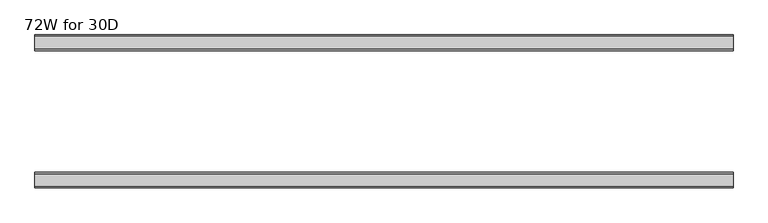
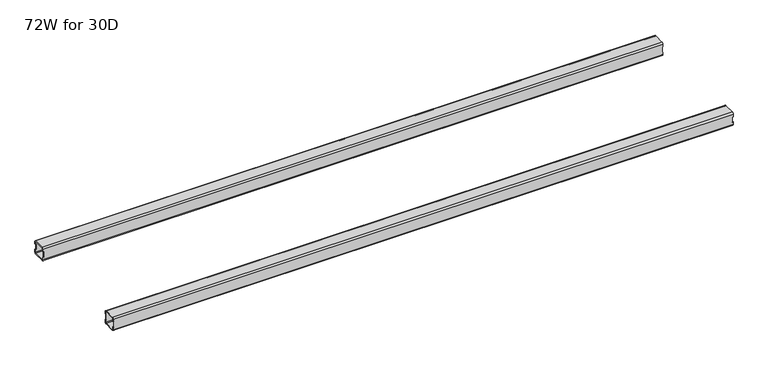
"""IFC4 building model written with IfcOpenShell, lengths in millimetres: furniture geometry, 72W for 30D."""

from ifc_helpers import new_model, si_unit, frame, origin, place, context, project, spatial, polyline, circle_curve, source, transform, mapped, element, save
from ifc_brep_helpers import plane_surface, cylinder_surface, revolved_surface, advanced_brep


def furniture_72w_for_30d_36aad846(model_context):
    return source(origin(), model_context, "Body", "AdvancedBrep", [
        advanced_brep(
        [(1803.8028, -507.012, 653.351), (1803.8028, -509.012, 651.351), (1803.8028, -541.012, 651.351), (1803.8028, -543.012, 653.351), (1803.8028, -543.012, 660.851), (1803.8028, -545.012, 660.851), (1803.8028, -545.012, 653.351), (1803.8028, -541.012, 649.351), (1803.8028, -509.012, 649.351), (1803.8028, -505.012, 653.351), (1803.8028, -505.012, 660.851), (1803.8028, -507.012, 660.851), (1803.8028, -543.012, 684.975), (1803.8028, -541.012, 686.975), (1803.8028, -509.012, 686.975), (1803.8028, -507.012, 684.975), (1803.8028, -507.012, 677.475), (1803.8028, -505.012, 677.475), (1803.8028, -505.012, 684.975), (1803.8028, -509.012, 688.975), (1803.8028, -541.012, 688.975), (1803.8028, -545.012, 684.975), (1803.8028, -545.012, 677.475), (1803.8028, -543.012, 677.475), (22.0, -507.012, 684.975), (22.0, -509.012, 686.975), (22.0, -541.012, 686.975), (22.0, -543.012, 684.975), (22.0, -543.012, 677.475), (22.0, -545.012, 677.475), (22.0, -545.012, 684.975), (22.0, -541.012, 688.975), (22.0, -509.012, 688.975), (22.0, -505.012, 684.975), (22.0, -505.012, 677.475), (22.0, -507.012, 677.475), (22.0, -543.012, 653.351), (22.0, -541.012, 651.351), (22.0, -509.012, 651.351), (22.0, -507.012, 653.351), (22.0, -507.012, 660.851), (22.0, -505.012, 660.851), (22.0, -505.012, 653.351), (22.0, -509.012, 649.351), (22.0, -541.012, 649.351), (22.0, -545.012, 653.351), (22.0, -545.012, 660.851), (22.0, -543.012, 660.851), (23.365, -543.012, 660.851), (24.0, -543.012, 661.486), (24.0, -543.012, 676.84), (23.365, -543.012, 677.475), (1802.4378, -543.012, 677.475), (1801.8028, -543.012, 676.84), (1801.8028, -543.012, 661.486), (1802.4378, -543.012, 660.851), (1802.4378, -507.012, 660.851), (1801.8028, -507.012, 661.486), (1801.8028, -507.012, 676.84), (1802.4378, -507.012, 677.475), (23.365, -507.012, 677.475), (24.0, -507.012, 676.84), (24.0, -507.012, 661.486), (23.365, -507.012, 660.851), (23.365, -545.012, 677.475), (24.0, -545.012, 676.84), (24.0, -545.012, 661.486), (23.365, -545.012, 660.851), (1802.4378, -545.012, 660.851), (1801.8028, -545.012, 661.486), (1801.8028, -545.012, 676.84), (1802.4378, -545.012, 677.475), (1802.4378, -505.012, 677.475), (1801.8028, -505.012, 676.84), (1801.8028, -505.012, 661.486), (1802.4378, -505.012, 660.851), (23.365, -505.012, 660.851), (24.0, -505.012, 661.486), (24.0, -505.012, 676.84), (23.365, -505.012, 677.475)],
        [
            (0, 1, circle_curve(frame((1803.8028, -509.012, 653.351), z_axis=(-1.0, 0.0, 0.0), x_axis=(0.0, 1.0, 0.0)), 2.0)),
            (1, 2),
            (2, 3, circle_curve(frame((1803.8028, -541.012, 653.351), z_axis=(-1.0, 0.0, 0.0), x_axis=(0.0, 1.0, 0.0)), 2.0)),
            (3, 4),
            (4, 5),
            (5, 6),
            (6, 7, circle_curve(frame((1803.8028, -541.012, 653.351), z_axis=(1.0, 0.0, 0.0), x_axis=(0.0, 1.0, 0.0)), 4.0)),
            (7, 8),
            (8, 9, circle_curve(frame((1803.8028, -509.012, 653.351), z_axis=(1.0, 0.0, 0.0), x_axis=(0.0, 1.0, 0.0)), 4.0)),
            (9, 10),
            (10, 11),
            (11, 0),
            (12, 13, circle_curve(frame((1803.8028, -541.012, 684.975), z_axis=(-1.0, 0.0, 0.0), x_axis=(0.0, 1.0, 0.0)), 2.0)),
            (13, 14),
            (14, 15, circle_curve(frame((1803.8028, -509.012, 684.975), z_axis=(-1.0, 0.0, 0.0), x_axis=(0.0, 1.0, 0.0)), 2.0)),
            (15, 16),
            (16, 17),
            (17, 18),
            (18, 19, circle_curve(frame((1803.8028, -509.012, 684.975), z_axis=(1.0, 0.0, 0.0), x_axis=(0.0, 1.0, 0.0)), 4.0)),
            (19, 20),
            (20, 21, circle_curve(frame((1803.8028, -541.012, 684.975), z_axis=(1.0, 0.0, 0.0), x_axis=(0.0, 1.0, 0.0)), 4.0)),
            (21, 22),
            (22, 23),
            (23, 12),
            (24, 25, circle_curve(frame((22.0, -509.012, 684.975), z_axis=(1.0, 0.0, 0.0), x_axis=(0.0, 1.0, 0.0)), 2.0)),
            (25, 26),
            (26, 27, circle_curve(frame((22.0, -541.012, 684.975), z_axis=(1.0, 0.0, 0.0), x_axis=(0.0, 1.0, 0.0)), 2.0)),
            (27, 28),
            (28, 29),
            (29, 30),
            (30, 31, circle_curve(frame((22.0, -541.012, 684.975), z_axis=(-1.0, 0.0, 0.0), x_axis=(0.0, 1.0, 0.0)), 4.0)),
            (31, 32),
            (32, 33, circle_curve(frame((22.0, -509.012, 684.975), z_axis=(-1.0, 0.0, 0.0), x_axis=(0.0, 1.0, 0.0)), 4.0)),
            (33, 34),
            (34, 35),
            (35, 24),
            (36, 37, circle_curve(frame((22.0, -541.012, 653.351), z_axis=(1.0, 0.0, 0.0), x_axis=(0.0, 1.0, 0.0)), 2.0)),
            (37, 38),
            (38, 39, circle_curve(frame((22.0, -509.012, 653.351), z_axis=(1.0, 0.0, 0.0), x_axis=(0.0, 1.0, 0.0)), 2.0)),
            (39, 40),
            (40, 41),
            (41, 42),
            (42, 43, circle_curve(frame((22.0, -509.012, 653.351), z_axis=(-1.0, 0.0, 0.0), x_axis=(0.0, 1.0, 0.0)), 4.0)),
            (43, 44),
            (44, 45, circle_curve(frame((22.0, -541.012, 653.351), z_axis=(-1.0, 0.0, 0.0), x_axis=(0.0, 1.0, 0.0)), 4.0)),
            (45, 46),
            (46, 47),
            (47, 36),
            (0, 39),
            (38, 1),
            (37, 2),
            (36, 3),
            (47, 48),
            (48, 49, circle_curve(frame((23.365, -543.012, 661.486), z_axis=(0.0, -1.0, 0.0), x_axis=(1.0, 0.0, 0.0)), 0.635)),
            (49, 50),
            (50, 51, circle_curve(frame((23.365, -543.012, 676.84), z_axis=(0.0, -1.0, 0.0), x_axis=(1.0, 0.0, 0.0)), 0.635)),
            (51, 28),
            (27, 12),
            (23, 52),
            (52, 53, circle_curve(frame((1802.4378, -543.012, 676.84), z_axis=(0.0, -1.0, 0.0), x_axis=(1.0, 0.0, 0.0)), 0.635)),
            (53, 54),
            (54, 55, circle_curve(frame((1802.4378, -543.012, 661.486), z_axis=(0.0, -1.0, 0.0), x_axis=(1.0, 0.0, 0.0)), 0.635)),
            (55, 4),
            (26, 13),
            (25, 14),
            (24, 15),
            (11, 56),
            (56, 57, circle_curve(frame((1802.4378, -507.012, 661.486), z_axis=(0.0, 1.0, 0.0), x_axis=(1.0, 0.0, 0.0)), 0.635)),
            (57, 58),
            (58, 59, circle_curve(frame((1802.4378, -507.012, 676.84), z_axis=(0.0, 1.0, 0.0), x_axis=(1.0, 0.0, 0.0)), 0.635)),
            (59, 16),
            (35, 60),
            (60, 61, circle_curve(frame((23.365, -507.012, 676.84), z_axis=(0.0, 1.0, 0.0), x_axis=(1.0, 0.0, 0.0)), 0.635)),
            (61, 62),
            (62, 63, circle_curve(frame((23.365, -507.012, 661.486), z_axis=(0.0, 1.0, 0.0), x_axis=(1.0, 0.0, 0.0)), 0.635)),
            (63, 40),
            (18, 33),
            (32, 19),
            (31, 20),
            (30, 21),
            (29, 64),
            (64, 65, circle_curve(frame((23.365, -545.012, 676.84), z_axis=(0.0, 1.0, 0.0), x_axis=(1.0, 0.0, 0.0)), 0.635)),
            (65, 66),
            (66, 67, circle_curve(frame((23.365, -545.012, 661.486), z_axis=(0.0, 1.0, 0.0), x_axis=(1.0, 0.0, 0.0)), 0.635)),
            (67, 46),
            (45, 6),
            (5, 68),
            (68, 69, circle_curve(frame((1802.4378, -545.012, 661.486), z_axis=(0.0, 1.0, 0.0), x_axis=(1.0, 0.0, 0.0)), 0.635)),
            (69, 70),
            (70, 71, circle_curve(frame((1802.4378, -545.012, 676.84), z_axis=(0.0, 1.0, 0.0), x_axis=(1.0, 0.0, 0.0)), 0.635)),
            (71, 22),
            (44, 7),
            (43, 8),
            (42, 9),
            (17, 72),
            (72, 73, circle_curve(frame((1802.4378, -505.012, 676.84), z_axis=(0.0, -1.0, 0.0), x_axis=(1.0, 0.0, 0.0)), 0.635)),
            (73, 74),
            (74, 75, circle_curve(frame((1802.4378, -505.012, 661.486), z_axis=(0.0, -1.0, 0.0), x_axis=(1.0, 0.0, 0.0)), 0.635)),
            (75, 10),
            (41, 76),
            (76, 77, circle_curve(frame((23.365, -505.012, 661.486), z_axis=(0.0, -1.0, 0.0), x_axis=(1.0, 0.0, 0.0)), 0.635)),
            (77, 78),
            (78, 79, circle_curve(frame((23.365, -505.012, 676.84), z_axis=(0.0, -1.0, 0.0), x_axis=(1.0, 0.0, 0.0)), 0.635)),
            (79, 34),
            (71, 52),
            (59, 72),
            (70, 53),
            (58, 73),
            (69, 54),
            (57, 74),
            (68, 55),
            (56, 75),
            (51, 64),
            (79, 60),
            (67, 48),
            (63, 76),
            (66, 49),
            (62, 77),
            (65, 50),
            (61, 78),
        ],
        [
            plane_surface(frame((1803.8028, -507.012, 653.351), z_axis=(1.0, 0.0, 0.0), x_axis=(0.0, 0.0, -1.0))),
            plane_surface(frame((22.0, -507.012, 653.351), z_axis=(-1.0, 0.0, 0.0), x_axis=(0.0, 0.0, 1.0))),
            revolved_surface(polyline([(22.0, -507.012, 653.351), (1803.8028, -507.012, 653.351)]), (22.0, -509.012, 653.351), (-1.0, 0.0, 0.0)),
            plane_surface(frame((1803.8028, -509.012, 651.351), z_axis=(0.0, -5.198608210600595e-12, 1.0), x_axis=(-1.0, 0.0, 0.0))),
            revolved_surface(polyline([(22.0, -539.012, 653.351), (1803.8028, -539.012, 653.351)]), (22.0, -541.012, 653.351), (-1.0, 0.0, 0.0)),
            plane_surface(frame((1803.8028, -543.012, 653.351), z_axis=(0.0, 1.0, 0.0), x_axis=(-1.0, 0.0, 0.0))),
            revolved_surface(polyline([(22.0, -539.012, 684.975), (1803.8028, -539.012, 684.975)]), (22.0, -541.012, 684.975), (-1.0, 0.0, 0.0)),
            plane_surface(frame((1803.8028, -541.012, 686.975), z_axis=(0.0, 0.0, -1.0), x_axis=(-1.0, 0.0, 0.0))),
            revolved_surface(polyline([(22.0, -507.012, 684.975), (1803.8028, -507.012, 684.975)]), (22.0, -509.012, 684.975), (-1.0, 0.0, 0.0)),
            plane_surface(frame((1803.8028, -507.012, 684.975), z_axis=(0.0, -1.0, 0.0), x_axis=(-1.0, 0.0, 0.0))),
            cylinder_surface(frame((0.0, -509.012, 684.975), z_axis=(1.0, 0.0, 0.0), x_axis=(0.0, 1.0, 0.0)), 4.0),
            plane_surface(frame((1803.8028, -509.012, 688.975), z_axis=(0.0, 0.0, 1.0), x_axis=(-1.0, 0.0, 0.0))),
            cylinder_surface(frame((0.0, -541.012, 684.975), z_axis=(1.0, 0.0, 0.0), x_axis=(0.0, 1.0, 0.0)), 4.0),
            plane_surface(frame((1803.8028, -545.012, 684.975), z_axis=(0.0, -1.0, 0.0), x_axis=(-1.0, 0.0, 0.0))),
            cylinder_surface(frame((0.0, -541.012, 653.351), z_axis=(1.0, 0.0, 0.0), x_axis=(0.0, 1.0, 0.0)), 4.0),
            plane_surface(frame((1803.8028, -541.012, 649.351), z_axis=(0.0, 0.0, -1.0), x_axis=(-1.0, 0.0, 0.0))),
            cylinder_surface(frame((0.0, -509.012, 653.351), z_axis=(1.0, 0.0, 0.0), x_axis=(0.0, 1.0, 0.0)), 4.0),
            plane_surface(frame((1803.8028, -505.012, 653.351), z_axis=(0.0, 1.0, -5.2518576384018155e-12), x_axis=(-1.0, 0.0, 0.0))),
            plane_surface(frame((1803.8028, -545.012, 677.475), z_axis=(1.130465684452016e-11, 0.0, -1.0), x_axis=(0.0, 1.0, 0.0))),
            revolved_surface(polyline([(1803.0728, -545.012, 676.84), (1803.0728, -543.012, 676.84)]), (1802.4378, -505.012, 676.84), (0.0, -1.0, 0.0)),
            revolved_surface(polyline([(1803.0728, -507.012, 676.84), (1803.0728, -505.012, 676.84)]), (1802.4378, -505.012, 676.84), (0.0, -1.0, 0.0)),
            plane_surface(frame((1801.8028, -545.012, 676.84), z_axis=(1.0, 0.0, 0.0), x_axis=(0.0, 1.0, 0.0))),
            revolved_surface(polyline([(1803.0728, -545.012, 661.486), (1803.0728, -543.012, 661.486)]), (1802.4378, -505.012, 661.486), (0.0, -1.0, 0.0)),
            revolved_surface(polyline([(1803.0728, -507.012, 661.486), (1803.0728, -505.012, 661.486)]), (1802.4378, -505.012, 661.486), (0.0, -1.0, 0.0)),
            plane_surface(frame((1802.4378, -545.012, 660.851), z_axis=(0.0, 0.0, 1.0), x_axis=(0.0, 1.0, 0.0))),
            plane_surface(frame((23.365, -545.012, 677.475), z_axis=(0.0, 0.0, -1.0), x_axis=(0.0, 1.0, 0.0))),
            plane_surface(frame((22.0, -545.012, 660.851), z_axis=(-1.1502984157403295e-11, 0.0, 1.0), x_axis=(0.0, 1.0, 0.0))),
            revolved_surface(polyline([(24.0, -545.012, 661.486), (24.0, -543.012, 661.486)]), (23.365, -505.012, 661.486), (0.0, -1.0, 0.0)),
            revolved_surface(polyline([(24.0, -507.012, 661.486), (24.0, -505.012, 661.486)]), (23.365, -505.012, 661.486), (0.0, -1.0, 0.0)),
            plane_surface(frame((24.0, -545.012, 661.486), z_axis=(-1.0, 0.0, 0.0), x_axis=(0.0, 1.0, 0.0))),
            revolved_surface(polyline([(24.0, -545.012, 676.84), (24.0, -543.012, 676.84)]), (23.365, -505.012, 676.84), (0.0, -1.0, 0.0)),
            revolved_surface(polyline([(24.0, -507.012, 676.84), (24.0, -505.012, 676.84)]), (23.365, -505.012, 676.84), (0.0, -1.0, 0.0)),
        ],
        [
            (0, [[1, 2, 3, 4, 5, 6, 7, 8, 9, 10, 11, 12]]),
            (0, [[13, 14, 15, 16, 17, 18, 19, 20, 21, 22, 23, 24]]),
            (1, [[25, 26, 27, 28, 29, 30, 31, 32, 33, 34, 35, 36]]),
            (1, [[37, 38, 39, 40, 41, 42, 43, 44, 45, 46, 47, 48]]),
            (2, [[-1, 49, -39, 50]]),
            (3, [[-2, -50, -38, 51]]),
            (4, [[-3, -51, -37, 52]]),
            (5, [[-52, -48, 53, 54, 55, 56, 57, -28, 58, -24, 59, 60, 61, 62, 63, -4]]),
            (6, [[-13, -58, -27, 64]]),
            (7, [[-14, -64, -26, 65]]),
            (8, [[-15, -65, -25, 66]]),
            (9, [[-49, -12, 67, 68, 69, 70, 71, -16, -66, -36, 72, 73, 74, 75, 76, -40]]),
            (10, [[-19, 77, -33, 78]]),
            (11, [[-20, -78, -32, 79]]),
            (12, [[-21, -79, -31, 80]]),
            (13, [[-80, -30, 81, 82, 83, 84, 85, -46, 86, -6, 87, 88, 89, 90, 91, -22]]),
            (14, [[-7, -86, -45, 92]]),
            (15, [[-8, -92, -44, 93]]),
            (16, [[-9, -93, -43, 94]]),
            (17, [[-77, -18, 95, 96, 97, 98, 99, -10, -94, -42, 100, 101, 102, 103, 104, -34]]),
            (18, [[105, -59, -23, -91]]),
            (18, [[106, -95, -17, -71]]),
            (19, [[-105, -90, 107, -60]]),
            (20, [[-106, -70, 108, -96]]),
            (21, [[-107, -89, 109, -61]]),
            (21, [[-108, -69, 110, -97]]),
            (22, [[-109, -88, 111, -62]]),
            (23, [[-110, -68, 112, -98]]),
            (24, [[-111, -87, -5, -63]]),
            (24, [[-112, -67, -11, -99]]),
            (25, [[113, -81, -29, -57]]),
            (25, [[114, -72, -35, -104]]),
            (26, [[115, -53, -47, -85]]),
            (26, [[116, -100, -41, -76]]),
            (27, [[-115, -84, 117, -54]]),
            (28, [[-116, -75, 118, -101]]),
            (29, [[-117, -83, 119, -55]]),
            (29, [[-118, -74, 120, -102]]),
            (30, [[-113, -56, -119, -82]]),
            (31, [[-114, -103, -120, -73]]),
        ],
    ),
        advanced_brep(
        [(1803.8028, -192.9996202, 684.975), (1803.8028, -190.9996202, 686.975), (1803.8028, -159.0003798, 686.975), (1803.8028, -157.0003798, 684.975), (1803.8028, -157.0003798, 677.475), (1803.8028, -155.0003798, 677.475), (1803.8028, -155.0003798, 684.975), (1803.8028, -159.0003798, 688.975), (1803.8028, -190.9996202, 688.975), (1803.8028, -194.9996202, 684.975), (1803.8028, -194.9996202, 677.475), (1803.8028, -192.9996202, 677.475), (1803.8028, -157.0003798, 653.351), (1803.8028, -159.0003798, 651.351), (1803.8028, -190.9996202, 651.351), (1803.8028, -192.9996202, 653.351), (1803.8028, -192.9996202, 660.851), (1803.8028, -194.9996202, 660.851), (1803.8028, -194.9996202, 653.351), (1803.8028, -190.9996202, 649.351), (1803.8028, -159.0003798, 649.351), (1803.8028, -155.0003798, 653.351), (1803.8028, -155.0003798, 660.851), (1803.8028, -157.0003798, 660.851), (22.0, -192.9996202, 653.351), (22.0, -190.9996202, 651.351), (22.0, -159.0003798, 651.351), (22.0, -157.0003798, 653.351), (22.0, -157.0003798, 660.851), (22.0, -155.0003798, 660.851), (22.0, -155.0003798, 653.351), (22.0, -159.0003798, 649.351), (22.0, -190.9996202, 649.351), (22.0, -194.9996202, 653.351), (22.0, -194.9996202, 660.851), (22.0, -192.9996202, 660.851), (22.0, -157.0003798, 684.975), (22.0, -159.0003798, 686.975), (22.0, -190.9996202, 686.975), (22.0, -192.9996202, 684.975), (22.0, -192.9996202, 677.475), (22.0, -194.9996202, 677.475), (22.0, -194.9996202, 684.975), (22.0, -190.9996202, 688.975), (22.0, -159.0003798, 688.975), (22.0, -155.0003798, 684.975), (22.0, -155.0003798, 677.475), (22.0, -157.0003798, 677.475), (1802.4378, -157.0003798, 660.851), (1801.8028, -157.0003798, 661.486), (1801.8028, -157.0003798, 676.84), (1802.4378, -157.0003798, 677.475), (23.365, -157.0003798, 677.475), (24.0, -157.0003798, 676.84), (24.0, -157.0003798, 661.486), (23.365, -157.0003798, 660.851), (23.365, -192.9996202, 660.851), (24.0, -192.9996202, 661.486), (24.0, -192.9996202, 676.84), (23.365, -192.9996202, 677.475), (1802.4378, -192.9996202, 677.475), (1801.8028, -192.9996202, 676.84), (1801.8028, -192.9996202, 661.486), (1802.4378, -192.9996202, 660.851), (1802.4378, -155.0003798, 677.475), (1801.8028, -155.0003798, 676.84), (1801.8028, -155.0003798, 661.486), (1802.4378, -155.0003798, 660.851), (23.365, -155.0003798, 660.851), (24.0, -155.0003798, 661.486), (24.0, -155.0003798, 676.84), (23.365, -155.0003798, 677.475), (23.365, -194.9996202, 677.475), (24.0, -194.9996202, 676.84), (24.0, -194.9996202, 661.486), (23.365, -194.9996202, 660.851), (1802.4378, -194.9996202, 660.851), (1801.8028, -194.9996202, 661.486), (1801.8028, -194.9996202, 676.84), (1802.4378, -194.9996202, 677.475)],
        [
            (0, 1, circle_curve(frame((1803.8028, -190.9996202, 684.975), z_axis=(-1.0, 0.0, 0.0), x_axis=(0.0, -1.0, 0.0)), 2.0)),
            (1, 2),
            (2, 3, circle_curve(frame((1803.8028, -159.0003798, 684.975), z_axis=(-1.0, 0.0, 0.0), x_axis=(0.0, -1.0, 0.0)), 2.0)),
            (3, 4),
            (4, 5),
            (5, 6),
            (6, 7, circle_curve(frame((1803.8028, -159.0003798, 684.975), z_axis=(1.0, 0.0, 0.0), x_axis=(0.0, -1.0, 0.0)), 4.0)),
            (7, 8),
            (8, 9, circle_curve(frame((1803.8028, -190.9996202, 684.975), z_axis=(1.0, 0.0, 0.0), x_axis=(0.0, -1.0, 0.0)), 4.0)),
            (9, 10),
            (10, 11),
            (11, 0),
            (12, 13, circle_curve(frame((1803.8028, -159.0003798, 653.351), z_axis=(-1.0, 0.0, 0.0), x_axis=(0.0, -1.0, 0.0)), 2.0)),
            (13, 14),
            (14, 15, circle_curve(frame((1803.8028, -190.9996202, 653.351), z_axis=(-1.0, 0.0, 0.0), x_axis=(0.0, -1.0, 0.0)), 2.0)),
            (15, 16),
            (16, 17),
            (17, 18),
            (18, 19, circle_curve(frame((1803.8028, -190.9996202, 653.351), z_axis=(1.0, 0.0, 0.0), x_axis=(0.0, -1.0, 0.0)), 4.0)),
            (19, 20),
            (20, 21, circle_curve(frame((1803.8028, -159.0003798, 653.351), z_axis=(1.0, 0.0, 0.0), x_axis=(0.0, -1.0, 0.0)), 4.0)),
            (21, 22),
            (22, 23),
            (23, 12),
            (24, 25, circle_curve(frame((22.0, -190.9996202, 653.351), z_axis=(1.0, 0.0, 0.0), x_axis=(0.0, -1.0, 0.0)), 2.0)),
            (25, 26),
            (26, 27, circle_curve(frame((22.0, -159.0003798, 653.351), z_axis=(1.0, 0.0, 0.0), x_axis=(0.0, -1.0, 0.0)), 2.0)),
            (27, 28),
            (28, 29),
            (29, 30),
            (30, 31, circle_curve(frame((22.0, -159.0003798, 653.351), z_axis=(-1.0, 0.0, 0.0), x_axis=(0.0, -1.0, 0.0)), 4.0)),
            (31, 32),
            (32, 33, circle_curve(frame((22.0, -190.9996202, 653.351), z_axis=(-1.0, 0.0, 0.0), x_axis=(0.0, -1.0, 0.0)), 4.0)),
            (33, 34),
            (34, 35),
            (35, 24),
            (36, 37, circle_curve(frame((22.0, -159.0003798, 684.975), z_axis=(1.0, 0.0, 0.0), x_axis=(0.0, -1.0, 0.0)), 2.0)),
            (37, 38),
            (38, 39, circle_curve(frame((22.0, -190.9996202, 684.975), z_axis=(1.0, 0.0, 0.0), x_axis=(0.0, -1.0, 0.0)), 2.0)),
            (39, 40),
            (40, 41),
            (41, 42),
            (42, 43, circle_curve(frame((22.0, -190.9996202, 684.975), z_axis=(-1.0, 0.0, 0.0), x_axis=(0.0, -1.0, 0.0)), 4.0)),
            (43, 44),
            (44, 45, circle_curve(frame((22.0, -159.0003798, 684.975), z_axis=(-1.0, 0.0, 0.0), x_axis=(0.0, -1.0, 0.0)), 4.0)),
            (45, 46),
            (46, 47),
            (47, 36),
            (14, 25),
            (24, 15),
            (13, 26),
            (12, 27),
            (23, 48),
            (48, 49, circle_curve(frame((1802.4378, -157.0003798, 661.486), z_axis=(0.0, 1.0, 0.0), x_axis=(1.0, 0.0, 0.0)), 0.635)),
            (49, 50),
            (50, 51, circle_curve(frame((1802.4378, -157.0003798, 676.84), z_axis=(0.0, 1.0, 0.0), x_axis=(1.0, 0.0, 0.0)), 0.635)),
            (51, 4),
            (3, 36),
            (47, 52),
            (52, 53, circle_curve(frame((23.365, -157.0003798, 676.84), z_axis=(0.0, 1.0, 0.0), x_axis=(1.0, 0.0, 0.0)), 0.635)),
            (53, 54),
            (54, 55, circle_curve(frame((23.365, -157.0003798, 661.486), z_axis=(0.0, 1.0, 0.0), x_axis=(1.0, 0.0, 0.0)), 0.635)),
            (55, 28),
            (2, 37),
            (1, 38),
            (0, 39),
            (35, 56),
            (56, 57, circle_curve(frame((23.365, -192.9996202, 661.486), z_axis=(0.0, -1.0, 0.0), x_axis=(1.0, 0.0, 0.0)), 0.635)),
            (57, 58),
            (58, 59, circle_curve(frame((23.365, -192.9996202, 676.84), z_axis=(0.0, -1.0, 0.0), x_axis=(1.0, 0.0, 0.0)), 0.635)),
            (59, 40),
            (11, 60),
            (60, 61, circle_curve(frame((1802.4378, -192.9996202, 676.84), z_axis=(0.0, -1.0, 0.0), x_axis=(1.0, 0.0, 0.0)), 0.635)),
            (61, 62),
            (62, 63, circle_curve(frame((1802.4378, -192.9996202, 661.486), z_axis=(0.0, -1.0, 0.0), x_axis=(1.0, 0.0, 0.0)), 0.635)),
            (63, 16),
            (8, 43),
            (42, 9),
            (7, 44),
            (6, 45),
            (5, 64),
            (64, 65, circle_curve(frame((1802.4378, -155.0003798, 676.84), z_axis=(0.0, -1.0, 0.0), x_axis=(1.0, 0.0, 0.0)), 0.635)),
            (65, 66),
            (66, 67, circle_curve(frame((1802.4378, -155.0003798, 661.486), z_axis=(0.0, -1.0, 0.0), x_axis=(1.0, 0.0, 0.0)), 0.635)),
            (67, 22),
            (21, 30),
            (29, 68),
            (68, 69, circle_curve(frame((23.365, -155.0003798, 661.486), z_axis=(0.0, -1.0, 0.0), x_axis=(1.0, 0.0, 0.0)), 0.635)),
            (69, 70),
            (70, 71, circle_curve(frame((23.365, -155.0003798, 676.84), z_axis=(0.0, -1.0, 0.0), x_axis=(1.0, 0.0, 0.0)), 0.635)),
            (71, 46),
            (20, 31),
            (19, 32),
            (18, 33),
            (41, 72),
            (72, 73, circle_curve(frame((23.365, -194.9996202, 676.84), z_axis=(0.0, 1.0, 0.0), x_axis=(1.0, 0.0, 0.0)), 0.635)),
            (73, 74),
            (74, 75, circle_curve(frame((23.365, -194.9996202, 661.486), z_axis=(0.0, 1.0, 0.0), x_axis=(1.0, 0.0, 0.0)), 0.635)),
            (75, 34),
            (17, 76),
            (76, 77, circle_curve(frame((1802.4378, -194.9996202, 661.486), z_axis=(0.0, 1.0, 0.0), x_axis=(1.0, 0.0, 0.0)), 0.635)),
            (77, 78),
            (78, 79, circle_curve(frame((1802.4378, -194.9996202, 676.84), z_axis=(0.0, 1.0, 0.0), x_axis=(1.0, 0.0, 0.0)), 0.635)),
            (79, 10),
            (51, 64),
            (79, 60),
            (50, 65),
            (78, 61),
            (49, 66),
            (77, 62),
            (48, 67),
            (76, 63),
            (71, 52),
            (59, 72),
            (55, 68),
            (75, 56),
            (54, 69),
            (74, 57),
            (53, 70),
            (73, 58),
        ],
        [
            plane_surface(frame((1803.8028, -192.9996202, 684.975), z_axis=(1.0, 0.0, 0.0), x_axis=(0.0, 0.0, 1.0))),
            plane_surface(frame((22.0, -192.9996202, 684.975), z_axis=(-1.0, 0.0, 0.0), x_axis=(0.0, 0.0, -1.0))),
            revolved_surface(polyline([(22.0, -192.9996202, 653.351), (1803.8028, -192.9996202, 653.351)]), (22.0, -190.9996202, 653.351), (-1.0, 0.0, 0.0)),
            plane_surface(frame((1803.8028, -159.0003798, 651.351), z_axis=(0.0, 0.0, 1.0), x_axis=(-1.0, 0.0, 0.0))),
            revolved_surface(polyline([(22.0, -161.0003798, 653.351), (1803.8028, -161.0003798, 653.351)]), (22.0, -159.0003798, 653.351), (-1.0, 0.0, 0.0)),
            plane_surface(frame((1803.8028, -157.0003798, 684.975), z_axis=(0.0, -1.0, 0.0), x_axis=(-1.0, 0.0, 0.0))),
            revolved_surface(polyline([(22.0, -161.0003798, 684.975), (1803.8028, -161.0003798, 684.975)]), (22.0, -159.0003798, 684.975), (-1.0, 0.0, 0.0)),
            plane_surface(frame((1803.8028, -190.9996202, 686.975), z_axis=(0.0, 0.0, -1.0), x_axis=(-1.0, 0.0, 0.0))),
            revolved_surface(polyline([(22.0, -192.9996202, 684.975), (1803.8028, -192.9996202, 684.975)]), (22.0, -190.9996202, 684.975), (-1.0, 0.0, 0.0)),
            plane_surface(frame((1803.8028, -192.9996202, 653.351), z_axis=(0.0, 1.0, 0.0), x_axis=(-1.0, 0.0, 0.0))),
            cylinder_surface(frame((0.0, -190.9996202, 684.975), z_axis=(1.0, 0.0, 0.0), x_axis=(0.0, -1.0, 0.0)), 4.0),
            plane_surface(frame((1803.8028, -159.0003798, 688.975), z_axis=(0.0, 0.0, 1.0), x_axis=(-1.0, 0.0, 0.0))),
            cylinder_surface(frame((0.0, -159.0003798, 684.975), z_axis=(1.0, 0.0, 0.0), x_axis=(0.0, -1.0, 0.0)), 4.0),
            plane_surface(frame((1803.8028, -155.0003798, 653.351), z_axis=(0.0, 1.0, 0.0), x_axis=(-1.0, 0.0, 0.0))),
            cylinder_surface(frame((0.0, -159.0003798, 653.351), z_axis=(1.0, 0.0, 0.0), x_axis=(0.0, -1.0, 0.0)), 4.0),
            plane_surface(frame((1803.8028, -190.9996202, 649.351), z_axis=(0.0, 0.0, -1.0), x_axis=(-1.0, 0.0, 0.0))),
            cylinder_surface(frame((0.0, -190.9996202, 653.351), z_axis=(1.0, 0.0, 0.0), x_axis=(0.0, -1.0, 0.0)), 4.0),
            plane_surface(frame((1803.8028, -194.9996202, 684.975), z_axis=(0.0, -1.0, 0.0), x_axis=(-1.0, 0.0, 0.0))),
            plane_surface(frame((1802.4378, -155.0003798, 677.475), z_axis=(-8.46857626692581e-11, 0.0, -1.0), x_axis=(0.0, -1.0, 0.0))),
            revolved_surface(polyline([(1803.0728, -155.0003798, 676.84), (1803.0728, -157.0003798, 676.84)]), (1802.4378, -194.9996202, 676.84), (0.0, 1.0, 0.0)),
            revolved_surface(polyline([(1803.0728, -192.9996202, 676.84), (1803.0728, -194.9996202, 676.84)]), (1802.4378, -194.9996202, 676.84), (0.0, 1.0, 0.0)),
            plane_surface(frame((1801.8028, -155.0003798, 661.486), z_axis=(1.0, 0.0, 6.082928872064027e-12), x_axis=(0.0, -1.0, 0.0))),
            revolved_surface(polyline([(1803.0728, -155.0003798, 661.486), (1803.0728, -157.0003798, 661.486)]), (1802.4378, -194.9996202, 661.486), (0.0, 1.0, 0.0)),
            revolved_surface(polyline([(1803.0728, -192.9996202, 661.486), (1803.0728, -194.9996202, 661.486)]), (1802.4378, -194.9996202, 661.486), (0.0, 1.0, 0.0)),
            plane_surface(frame((1803.8028, -155.0003798, 660.851), z_axis=(0.0, 0.0, 1.0), x_axis=(0.0, -1.0, 0.0))),
            plane_surface(frame((22.0, -155.0003798, 677.475), z_axis=(0.0, 0.0, -1.0), x_axis=(0.0, -1.0, 0.0))),
            plane_surface(frame((23.365, -155.0003798, 660.851), z_axis=(-2.8559133082148777e-11, 0.0, 1.0), x_axis=(0.0, -1.0, 0.0))),
            revolved_surface(polyline([(24.0, -155.0003798, 661.486), (24.0, -157.0003798, 661.486)]), (23.365, -194.9996202, 661.486), (0.0, 1.0, 0.0)),
            revolved_surface(polyline([(24.0, -192.9996202, 661.486), (24.0, -194.9996202, 661.486)]), (23.365, -194.9996202, 661.486), (0.0, 1.0, 0.0)),
            plane_surface(frame((24.0, -155.0003798, 676.84), z_axis=(-1.0, 0.0, 3.414484621396347e-12), x_axis=(0.0, -1.0, 0.0))),
            revolved_surface(polyline([(24.0, -155.0003798, 676.84), (24.0, -157.0003798, 676.84)]), (23.365, -194.9996202, 676.84), (0.0, 1.0, 0.0)),
            revolved_surface(polyline([(24.0, -192.9996202, 676.84), (24.0, -194.9996202, 676.84)]), (23.365, -194.9996202, 676.84), (0.0, 1.0, 0.0)),
        ],
        [
            (0, [[1, 2, 3, 4, 5, 6, 7, 8, 9, 10, 11, 12]]),
            (0, [[13, 14, 15, 16, 17, 18, 19, 20, 21, 22, 23, 24]]),
            (1, [[25, 26, 27, 28, 29, 30, 31, 32, 33, 34, 35, 36]]),
            (1, [[37, 38, 39, 40, 41, 42, 43, 44, 45, 46, 47, 48]]),
            (2, [[-15, 49, -25, 50]]),
            (3, [[-14, 51, -26, -49]]),
            (4, [[-13, 52, -27, -51]]),
            (5, [[-52, -24, 53, 54, 55, 56, 57, -4, 58, -48, 59, 60, 61, 62, 63, -28]]),
            (6, [[-3, 64, -37, -58]]),
            (7, [[-2, 65, -38, -64]]),
            (8, [[-1, 66, -39, -65]]),
            (9, [[-50, -36, 67, 68, 69, 70, 71, -40, -66, -12, 72, 73, 74, 75, 76, -16]]),
            (10, [[-9, 77, -43, 78]]),
            (11, [[-8, 79, -44, -77]]),
            (12, [[-7, 80, -45, -79]]),
            (13, [[-80, -6, 81, 82, 83, 84, 85, -22, 86, -30, 87, 88, 89, 90, 91, -46]]),
            (14, [[-21, 92, -31, -86]]),
            (15, [[-20, 93, -32, -92]]),
            (16, [[-19, 94, -33, -93]]),
            (17, [[-78, -42, 95, 96, 97, 98, 99, -34, -94, -18, 100, 101, 102, 103, 104, -10]]),
            (18, [[105, -81, -5, -57]]),
            (18, [[106, -72, -11, -104]]),
            (19, [[-105, -56, 107, -82]]),
            (20, [[-106, -103, 108, -73]]),
            (21, [[-107, -55, 109, -83]]),
            (21, [[-108, -102, 110, -74]]),
            (22, [[-109, -54, 111, -84]]),
            (23, [[-110, -101, 112, -75]]),
            (24, [[-111, -53, -23, -85]]),
            (24, [[-112, -100, -17, -76]]),
            (25, [[113, -59, -47, -91]]),
            (25, [[114, -95, -41, -71]]),
            (26, [[115, -87, -29, -63]]),
            (26, [[116, -67, -35, -99]]),
            (27, [[-115, -62, 117, -88]]),
            (28, [[-116, -98, 118, -68]]),
            (29, [[-117, -61, 119, -89]]),
            (29, [[-118, -97, 120, -69]]),
            (30, [[-119, -60, -113, -90]]),
            (31, [[-120, -96, -114, -70]]),
        ],
    ),
    ])


if __name__ == "__main__":
    model = new_model("IFC4")
    model_context = context("Model", 3, world=origin())
    ifc_project = project(units=[si_unit("LENGTHUNIT", "METRE", prefix="MILLI")], contexts=[model_context])
    site = spatial("IfcSite", under=ifc_project)
    building = spatial("IfcBuilding", under=site)
    placement = place(None, origin())
    furniture_72w_for_30d_shape = furniture_72w_for_30d_36aad846(model_context)
    element("IfcFurniture", 1, ObjectType="72W for 30D", at=placement, inside=building, context=model_context, shape_type="MappedRepresentation", body=[
        mapped(furniture_72w_for_30d_shape, transform((0.0, 0.0, 0.0), x_axis=(1.0, 0.0, 0.0), y_axis=(0.0, 1.0, 0.0), z_axis=(0.0, 0.0, 1.0))),
    ])
    save(model, "model.ifc")
